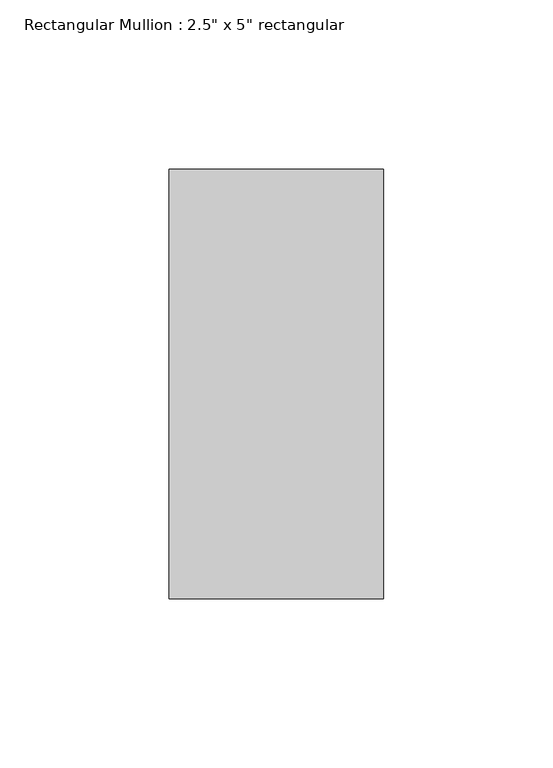
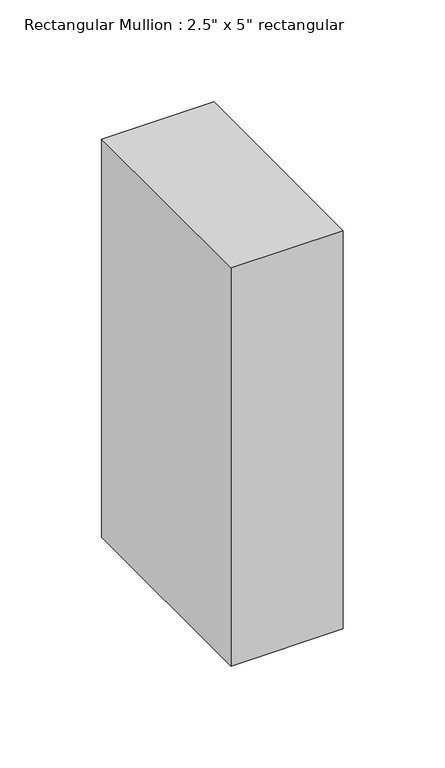
"""IFC4 building model written with IfcOpenShell, lengths in millimetres: member geometry."""

from ifc_helpers import new_model, si_unit, frame, origin, place, context, project, spatial, polyline, outline, extrude, source, transform, mapped, element, save


def member_42697a4d(model_context):
    return source(origin(), model_context, "Body", "SweptSolid", [
        extrude(outline(polyline([(0.0, 63.5), (0.0, -63.5), (-63.5, -63.5), (-63.5, 63.5), (0.0, 63.5)])), frame((0.0, 0.0, -238.5904458), z_axis=(0.0, 0.0, 1.0), x_axis=(1.0, 0.0, 0.0)), (0.0, 0.0, 1.0), 238.5904458),
    ])


if __name__ == "__main__":
    model = new_model("IFC4")
    model_context = context("Model", 3, world=origin())
    ifc_project = project(units=[si_unit("LENGTHUNIT", "METRE", prefix="MILLI")], contexts=[model_context])
    site = spatial("IfcSite", under=ifc_project)
    building = spatial("IfcBuilding", under=site)
    placement = place(None, origin())
    member_shape = member_42697a4d(model_context)
    element("IfcMember", 1, ObjectType="Rectangular Mullion : 2.5\" x 5\" rectangular", at=placement, inside=building, context=model_context, shape_type="MappedRepresentation", body=[
        mapped(member_shape, transform((0.0, 0.0, 0.0), x_axis=(1.0, 0.0, 0.0), y_axis=(0.0, 1.0, 0.0), z_axis=(0.0, 0.0, 1.0))),
    ])
    save(model, "model.ifc")
